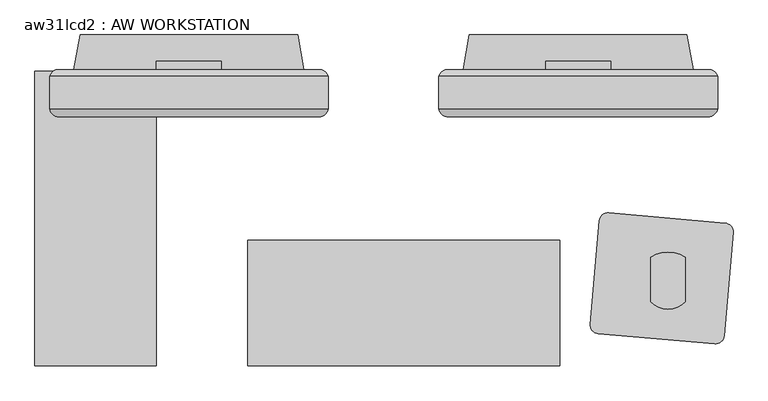
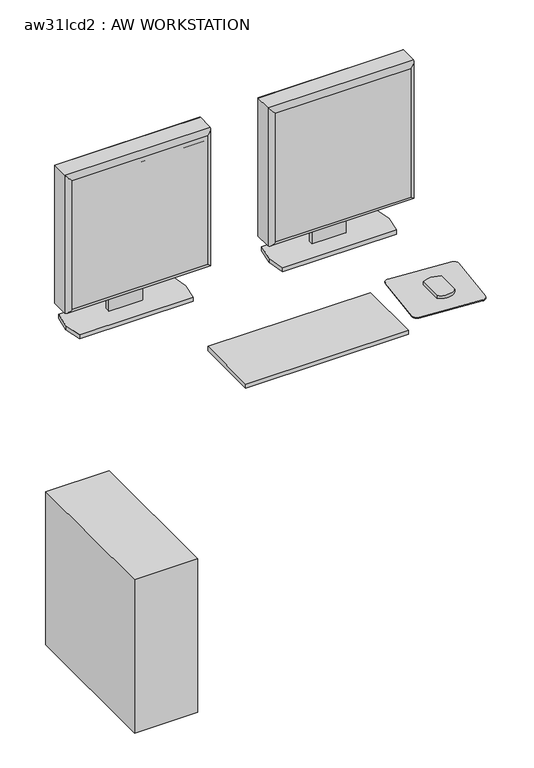
"""IFC4 building model written with IfcOpenShell, lengths in millimetres: proxy geometry, aw31lcd2 : AW WORKSTATION."""

import ifcopenshell
import ifcopenshell.guid

model = None  # the IFC model being written
_history = None  # IfcOwnerHistory: only IFC2X3 demands one
_inside = {}  # id of a spatial element -> (the spatial element, [elements in it])
_under = {}  # id of a project, library or spatial element -> (it, [spatial elements below it])
_declared = {}  # id of a project -> (the project, [libraries it declares])
_typed = {}  # id of a type object -> (the type object, [elements of that type])
_made_of = {}  # id of a material, layer set ... -> (it, [elements and type objects made of it])


def new_model(schema):
    """Start an empty IFC model of exactly this schema.

    Asked for "IFC4X3", IfcOpenShell would pick the latest addendum, in which some entities
    have other attributes; the version numbers below select the first issue.
    IFC2X3 requires an IfcOwnerHistory on every rooted entity: one is made here for all.
    """
    global model, _history
    if schema == "IFC4X3":
        model = ifcopenshell.file(schema_version=(4, 3, 0, 0))
    else:
        model = ifcopenshell.file(schema=schema)
    _inside.clear()
    _under.clear()
    _declared.clear()
    _typed.clear()
    _made_of.clear()
    _history = None
    if model.schema == "IFC2X3":
        org = make("IfcOrganization", Name="unknown")
        user = make(
            "IfcPersonAndOrganization",
            ThePerson=make("IfcPerson", FamilyName="unknown"),
            TheOrganization=org,
        )
        app = make(
            "IfcApplication",
            ApplicationDeveloper=org,
            Version="unknown",
            ApplicationFullName="unknown",
            ApplicationIdentifier="unknown",
        )
        _history = make(
            "IfcOwnerHistory",
            OwningUser=user,
            OwningApplication=app,
            ChangeAction="ADDED",
            CreationDate=0,
        )
    return model


def make(cls, **values):
    """One entity of the class cls with the attributes given. An attribute that is None is left unset."""
    return model.create_entity(
        cls, **{name: value for name, value in values.items() if value is not None}
    )


def rooted(cls, **values):
    """An entity with a GlobalId (a new one), such as an element, a storey or a relation."""
    return make(cls, GlobalId=ifcopenshell.guid.new(), OwnerHistory=_history, **values)


def si_unit(unit_type, name, prefix=None):
    """IfcSIUnit, for example si_unit("LENGTHUNIT", "METRE", prefix="MILLI")."""
    return make("IfcSIUnit", UnitType=unit_type, Prefix=prefix, Name=name)


def assignment(units):
    """IfcUnitAssignment: the units of a project."""
    return None if units is None else make("IfcUnitAssignment", Units=units)


def point(xyz):
    """IfcCartesianPoint."""
    return None if xyz is None else make("IfcCartesianPoint", Coordinates=xyz)


def direction(xyz):
    """IfcDirection."""
    return None if xyz is None else make("IfcDirection", DirectionRatios=xyz)


def frame(location, z_axis=None, x_axis=None):
    """IfcAxis2Placement3D, a coordinate frame: its origin and axes. An axis left out is left unset."""
    return make(
        "IfcAxis2Placement3D",
        Location=point(location),
        Axis=direction(z_axis),
        RefDirection=direction(x_axis),
    )


def frame_2d(location, x_axis=None):
    """IfcAxis2Placement2D, a coordinate frame in the plane: its origin and x axis."""
    return make(
        "IfcAxis2Placement2D", Location=point(location), RefDirection=direction(x_axis)
    )


def origin():
    """The frame at (0, 0, 0) with its axes left unset."""
    return frame((0.0, 0.0, 0.0))


def origin_with_axes():
    """The frame at (0, 0, 0) with the z axis (0, 0, 1) and the x axis (1, 0, 0) written out."""
    return frame((0.0, 0.0, 0.0), z_axis=(0.0, 0.0, 1.0), x_axis=(1.0, 0.0, 0.0))


def place(relative_to, where):
    """IfcLocalPlacement: puts the frame where relative to a parent placement (None: the world)."""
    return make(
        "IfcLocalPlacement", PlacementRelTo=relative_to, RelativePlacement=where
    )


def context(
    kind, dimensions, precision=None, world=None, true_north=None, identifier=None
):
    """IfcGeometricRepresentationContext, for example the 3D "Model" context."""
    return make(
        "IfcGeometricRepresentationContext",
        ContextIdentifier=identifier,
        ContextType=kind,
        CoordinateSpaceDimension=dimensions,
        Precision=precision,
        WorldCoordinateSystem=world,
        TrueNorth=true_north,
    )


def project(units=None, contexts=None):
    """IfcProject with its units and contexts."""
    return rooted(
        "IfcProject",
        Name="project",
        RepresentationContexts=contexts,
        UnitsInContext=assignment(units),
    )


def spatial(cls, under=None, at=None, **own):
    """A site, building, storey or space (cls), placed at a placement, below another one or the project."""
    s = rooted(cls, ObjectPlacement=at, **own)
    if under is not None:
        _under.setdefault(under.id(), (under, []))[1].append(s)
    return s


def polyline(points):
    """IfcPolyline through the points."""
    return make("IfcPolyline", Points=[point(p) for p in points])


def circle_curve(where, radius):
    """IfcCircle in the frame where."""
    return make("IfcCircle", Position=where, Radius=radius)


def ellipse_curve(where, semi_axis1, semi_axis2):
    """IfcEllipse in the frame where."""
    return make(
        "IfcEllipse", Position=where, SemiAxis1=semi_axis1, SemiAxis2=semi_axis2
    )


def trimmed(basis, trim1, trim2, sense, master):
    """IfcTrimmedCurve: the piece of a basis curve between two trims."""
    return make(
        "IfcTrimmedCurve",
        BasisCurve=basis,
        Trim1=trim1,
        Trim2=trim2,
        SenseAgreement=sense,
        MasterRepresentation=master,
    )


def segment(curve, same_sense, transition):
    """IfcCompositeCurveSegment."""
    return make(
        "IfcCompositeCurveSegment",
        Transition=transition,
        SameSense=same_sense,
        ParentCurve=curve,
    )


def composite_curve(segments, self_intersect=None):
    """IfcCompositeCurve: segments joined end to end."""
    return make("IfcCompositeCurve", Segments=segments, SelfIntersect=self_intersect)


def outline(outer, holes=None, kind="AREA"):
    """IfcArbitraryClosedProfileDef: a profile drawn as a closed curve; with holes, ...WithVoids."""
    if holes is None:
        return make("IfcArbitraryClosedProfileDef", ProfileType=kind, OuterCurve=outer)
    return make(
        "IfcArbitraryProfileDefWithVoids",
        ProfileType=kind,
        OuterCurve=outer,
        InnerCurves=holes,
    )


def extrude(swept, where, along, depth):
    """IfcExtrudedAreaSolid: the profile swept, set in the frame where, extruded along a direction by depth."""
    return make(
        "IfcExtrudedAreaSolid",
        SweptArea=swept,
        Position=where,
        ExtrudedDirection=direction(along),
        Depth=depth,
    )


def shape(context_of_items, identifier, shape_type, items):
    """IfcShapeRepresentation: the items that make up one representation, for example the "Body"."""
    return make(
        "IfcShapeRepresentation",
        ContextOfItems=context_of_items,
        RepresentationIdentifier=identifier,
        RepresentationType=shape_type,
        Items=items,
    )


def source(mapping_origin, context_of_items, identifier, shape_type, items):
    """IfcRepresentationMap: a shape defined once, which mapped items show again and again."""
    return make(
        "IfcRepresentationMap",
        MappingOrigin=mapping_origin,
        MappedRepresentation=shape(context_of_items, identifier, shape_type, items),
    )


def transform(
    local_origin,
    x_axis=None,
    y_axis=None,
    z_axis=None,
    scale=None,
    scale2=None,
    scale3=None,
    uniform=True,
):
    """IfcCartesianTransformationOperator3D, or its non-uniform kind. x_axis, y_axis, z_axis: its Axis1, 2, 3."""
    if uniform:
        return make(
            "IfcCartesianTransformationOperator3D",
            Axis1=direction(x_axis),
            Axis2=direction(y_axis),
            LocalOrigin=point(local_origin),
            Scale=scale,
            Axis3=direction(z_axis),
        )
    return make(
        "IfcCartesianTransformationOperator3DnonUniform",
        Axis1=direction(x_axis),
        Axis2=direction(y_axis),
        LocalOrigin=point(local_origin),
        Scale=scale,
        Axis3=direction(z_axis),
        Scale2=scale2,
        Scale3=scale3,
    )


def mapped(mapping_source, mapping_target):
    """IfcMappedItem: shows the shape of a source again, moved by a transform."""
    return make(
        "IfcMappedItem", MappingSource=mapping_source, MappingTarget=mapping_target
    )


def made_of(thing, what):
    """Note that an element or type object is made of a material, layer set ...; save() writes the relation."""
    if what is not None:
        _made_of.setdefault(what.id(), (what, []))[1].append(thing)
    return thing


def element(
    cls,
    number,
    at=None,
    inside=None,
    cuts=None,
    type_object=None,
    material=None,
    context=None,
    identifier="Body",
    shape_type=None,
    held_by="IfcProductDefinitionShape",
    body=None,
    shapes=None,
    **own,
):
    """One element of the class cls, such as IfcWall. Its Tag is "e" and its number.

    at: its placement. inside: the storey or other place that contains it. cuts: it is an
    opening in that element (IfcRelVoidsElement). A single representation is given by context,
    identifier, shape_type and body (its items); several are given by shapes. held_by: the class
    of the entity that holds the representations. save() writes the other relations.
    """
    e = rooted(cls, Tag="e%d" % number, ObjectPlacement=at, **own)
    if body is not None:
        shapes = [shape(context, identifier, shape_type, body)]
    if shapes is not None:
        e.Representation = make(held_by, Representations=shapes)
    if inside is not None:
        _inside.setdefault(inside.id(), (inside, []))[1].append(e)
    if cuts is not None:
        rooted(
            "IfcRelVoidsElement", RelatingBuildingElement=cuts, RelatedOpeningElement=e
        )
    if type_object is not None:
        _typed.setdefault(type_object.id(), (type_object, []))[1].append(e)
    return made_of(e, material)


def aggregate(whole, parts):
    """IfcRelAggregates: a whole, such as a stair, and the parts it consists of."""
    return rooted("IfcRelAggregates", RelatingObject=whole, RelatedObjects=parts)


def save(model, path):
    """Write the relations noted so far, then the file.

    IfcRelAggregates (storeys below a building ...), IfcRelContainedInSpatialStructure (elements
    in a storey), IfcRelDefinesByType, IfcRelAssociatesMaterial and IfcRelDeclares: one each for
    every whole, place, type object, material and project.
    """
    for whole, parts in _under.values():
        aggregate(whole, parts)
    for where, things in _inside.values():
        rooted(
            "IfcRelContainedInSpatialStructure",
            RelatedElements=things,
            RelatingStructure=where,
        )
    for kind, things in _typed.values():
        rooted("IfcRelDefinesByType", RelatedObjects=things, RelatingType=kind)
    for what, things in _made_of.values():
        rooted("IfcRelAssociatesMaterial", RelatedObjects=things, RelatingMaterial=what)
    for by, libraries in _declared.values():
        rooted("IfcRelDeclares", RelatingContext=by, RelatedDefinitions=libraries)
    model.write(path)


def plane_surface(at):
    """IfcPlane: the flat surface through the origin of the frame at, square to its z axis."""
    return make("IfcPlane", Position=at)


def cylinder_surface(at, radius):
    """IfcCylindricalSurface: all points at the distance radius from the z axis of the frame at."""
    return make("IfcCylindricalSurface", Position=at, Radius=radius)


def advanced_brep(points, edges, surfaces, faces):
    """IfcAdvancedBrep: a solid bounded by faces that lie on surfaces and meet in shared edges.

    An edge is (start, end): straight between two places in points (the first is 0);
    or (start, end, curve); or (start, end, curve, False) where it runs against its curve.
    A face is (place in surfaces, loops), or (place, loops, False) where it looks against
    its surface's normal. A loop lists edges by number (the first is 1), with a minus sign
    where the edge is run from its end to its start. The first loop is the outer one.
    """
    corners = [point(p) for p in points]
    vertices = [make("IfcVertexPoint", VertexGeometry=c) for c in corners]
    made = []
    for start, end, *more in edges:
        made.append(
            make(
                "IfcEdgeCurve",
                EdgeStart=vertices[start],
                EdgeEnd=vertices[end],
                EdgeGeometry=more[0] if more else make("IfcPolyline", Points=[corners[start], corners[end]]),
                SameSense=more[1] if len(more) > 1 else True,
            )
        )
    hull = []
    for where, loops, *sense in faces:
        bounds = []
        for j, loop in enumerate(loops):
            ring = [make("IfcOrientedEdge", EdgeElement=made[abs(k) - 1], Orientation=k > 0) for k in loop]
            bounds.append(
                make(
                    "IfcFaceOuterBound" if j == 0 else "IfcFaceBound",
                    Bound=make("IfcEdgeLoop", EdgeList=ring),
                    Orientation=True,
                )
            )
        hull.append(make("IfcAdvancedFace", Bounds=bounds, FaceSurface=surfaces[where], SameSense=sense[0] if sense else True))
    return make("IfcAdvancedBrep", Outer=make("IfcClosedShell", CfsFaces=hull))


def aw31lcd2_aw_workstation_e42d91b1(model_context):
    return source(origin(), model_context, "Body", "SolidModel", [
        advanced_brep(
        [(124.656648, -60.291636, 1419.86), (124.656648, -103.4223166, 1419.86), (124.656648, -108.4193594, 1419.86), (533.596648, -108.4193594, 1419.86), (533.596648, -103.4223166, 1419.86), (533.596648, -60.291636, 1419.86), (533.596648, -60.291636, 1010.2963264), (533.596648, -103.4223166, 1010.2963264), (533.596648, -108.4193594, 1010.2963264), (124.656648, -108.4193594, 1010.2963264), (124.656648, -103.4223166, 1010.2963264), (124.656648, -60.291636, 1010.2963264), (133.894284, -51.054, 1019.5339624), (133.894284, -51.054, 1410.622364), (524.359012, -51.054, 1410.622364), (524.359012, -51.054, 1019.5339624), (138.8208086, -120.3036769, 1405.694569), (138.8208086, -120.3036769, 1024.4617574), (519.431217, -120.3036769, 1024.460487), (519.4324874, -120.3036769, 1405.694569)],
        [
            (0, 1),
            (1, 2),
            (2, 3),
            (3, 4),
            (4, 5),
            (5, 0),
            (6, 7),
            (7, 8),
            (8, 9),
            (9, 10),
            (10, 11),
            (11, 6),
            (12, 13),
            (13, 14),
            (14, 15),
            (15, 12),
            (0, 11),
            (9, 2),
            (16, 17),
            (17, 18),
            (18, 19),
            (19, 16),
            (3, 8),
            (6, 5),
            (12, 11, ellipse_curve(frame((140.7713363, -67.1686883, 1026.4110147), z_axis=(-0.7071067811865452, 0.0, 0.7071067811865498), x_axis=(-0.7071067811865498, 0.0, -0.7071067811865452)), 24.7780962, 17.5207599)),
            (0, 13, ellipse_curve(frame((140.7713363, -67.1686883, 1403.7453117), z_axis=(-0.7071067811865498, 0.0, -0.7071067811865452), x_axis=(0.7071067811865452, 0.0, -0.7071067811865498)), 24.7780962, 17.5207599)),
            (16, 2, ellipse_curve(frame((138.8208086, -105.920838, 1405.6958394), z_axis=(-0.7071067811865498, 0.0, -0.7071067811865452), x_axis=(0.7071067811865452, 0.0, -0.7071067811865498)), 20.3404059, 14.3828389)),
            (9, 17, ellipse_curve(frame((138.8208086, -105.920838, 1024.460487), z_axis=(-0.7071067811865452, 0.0, 0.7071067811865498), x_axis=(-0.7071067811865498, 0.0, -0.7071067811865452)), 20.3404059, 14.3828389)),
            (15, 6, ellipse_curve(frame((517.4819597, -67.1686883, 1026.4110147), z_axis=(-0.7071067811865498, 0.0, -0.7071067811865452), x_axis=(0.7071067811865452, 0.0, -0.7071067811865497)), 24.7780962, 17.5207599)),
            (8, 18, ellipse_curve(frame((519.4324874, -105.920838, 1024.460487), z_axis=(-0.7071067811865498, 0.0, -0.7071067811865452), x_axis=(0.7071067811865452, 0.0, -0.7071067811865497)), 20.3404059, 14.3828389)),
            (14, 5, ellipse_curve(frame((517.4819597, -67.1686883, 1403.7453117), z_axis=(0.7071067811865452, 0.0, -0.7071067811865498), x_axis=(0.7071067811865498, 0.0, 0.7071067811865452)), 24.7780962, 17.5207599)),
            (3, 19, ellipse_curve(frame((519.4324874, -105.920838, 1405.6958394), z_axis=(0.7071067811865452, 0.0, -0.7071067811865498), x_axis=(0.7071067811865498, 0.0, 0.7071067811865452)), 20.3404059, 14.3828389)),
        ],
        [
            plane_surface(frame((129.736648, -51.054, 1419.86), z_axis=(0.0, 0.0, 1.0), x_axis=(-1.0, 0.0, 0.0))),
            plane_surface(frame((129.736648, -51.054, 1010.2963264), z_axis=(0.0, 0.0, -1.0), x_axis=(1.0, 0.0, 0.0))),
            plane_surface(frame((533.596648, -51.054, 1419.86), z_axis=(0.0, 1.0, 0.0), x_axis=(0.0, 0.0, -1.0))),
            plane_surface(frame((124.656648, -51.054, 1419.86), z_axis=(-1.0, 0.0, 0.0), x_axis=(0.0, 0.0, -1.0))),
            plane_surface(frame((124.656648, -120.3036769, 1419.86), z_axis=(0.0, -1.0, 0.0), x_axis=(0.0, 0.0, -1.0))),
            plane_surface(frame((533.596648, -120.3036769, 1419.86), z_axis=(1.0, 0.0, 0.0), x_axis=(0.0, 0.0, -1.0))),
            cylinder_surface(frame((140.7713363, -67.1686883, 1419.86), z_axis=(0.0, 0.0, -1.0), x_axis=(0.0, 1.0, 0.0)), 17.5207599),
            cylinder_surface(frame((138.8208086, -105.920838, 1419.86), z_axis=(0.0, 0.0, -1.0), x_axis=(0.0, 1.0, 0.0)), 14.3828389),
            cylinder_surface(frame((124.656648, -67.1686883, 1026.4110147), z_axis=(1.0, 0.0, 0.0), x_axis=(0.0, 1.0, 0.0)), 17.5207599),
            cylinder_surface(frame((124.656648, -105.920838, 1024.460487), z_axis=(1.0, 0.0, 0.0), x_axis=(0.0, 1.0, 0.0)), 14.3828389),
            cylinder_surface(frame((517.4819597, -67.1686883, 1010.2963264), z_axis=(0.0, 0.0, 1.0), x_axis=(0.0, 1.0, 0.0)), 17.5207599),
            cylinder_surface(frame((519.4324874, -105.920838, 1010.2963264), z_axis=(0.0, 0.0, 1.0), x_axis=(0.0, 1.0, 0.0)), 14.3828389),
            cylinder_surface(frame((533.596648, -67.1686883, 1403.7453117), z_axis=(-1.0, 0.0, 0.0), x_axis=(0.0, 1.0, 0.0)), 17.5207599),
            cylinder_surface(frame((533.596648, -105.920838, 1405.6958394), z_axis=(-1.0, 0.0, 0.0), x_axis=(0.0, 1.0, 0.0)), 14.3828389),
        ],
        [
            (0, [[1, 2, 3, 4, 5, 6]]),
            (1, [[7, 8, 9, 10, 11, 12]]),
            (2, [[13, 14, 15, 16]]),
            (3, [[-1, 17, -11, -10, 18, -2]]),
            (4, [[19, 20, 21, 22]]),
            (5, [[-5, -4, 23, -8, -7, 24]]),
            (6, [[25, -17, 26, -13]]),
            (7, [[27, -18, 28, -19]]),
            (8, [[-25, -16, 29, -12]]),
            (9, [[30, -20, -28, -9]]),
            (10, [[-29, -15, 31, -24]]),
            (11, [[32, -21, -30, -23]]),
            (12, [[-26, -6, -31, -14]]),
            (13, [[-27, -22, -32, -3]]),
        ],
    ),
        extrude(outline(polyline([(150.056648, -114.3898978), (508.196648, -114.3898978), (508.196648, -120.3036769), (150.056648, -120.3036769), (150.056648, -114.3898978)])), frame((0.0, 0.0, 1035.6963264), z_axis=(0.0, 0.0, 1.0), x_axis=(1.0, 0.0, 0.0)), (0.0, 0.0, 1.0), 358.7636736),
        extrude(outline(polyline([(-51.054, 1236.2794056), (-38.3728288, 1236.2794056), (-38.3728288, 926.6153731), (-51.054, 926.6153731), (-51.054, 1006.8339624), (-48.3167676, 1006.8339624), (-48.3167676, 1019.5339624), (-51.054, 1019.5339624), (-51.054, 1236.2794056)])), frame((281.501648, 0.0, 0.0), z_axis=(1.0, 0.0, 0.0), x_axis=(0.0, 1.0, 0.0)), (0.0, 0.0, 1.0), 95.25),
        extrude(outline(polyline([(160.470648, -51.054), (169.614648, 0.0), (488.638648, 0.0), (497.782648, -51.054), (488.638648, -102.108), (169.614648, -102.108), (160.470648, -51.054)])), frame((0.0, 0.0, 914.4), z_axis=(0.0, 0.0, 1.0), x_axis=(1.0, 0.0, 0.0)), (0.0, 0.0, 1.0), 12.2153731),
        advanced_brep(
        [(-446.532, -60.291636, 1419.86), (-446.532, -103.4223166, 1419.86), (-446.532, -108.4193594, 1419.86), (-37.592, -108.4193594, 1419.86), (-37.592, -103.4223166, 1419.86), (-37.592, -60.291636, 1419.86), (-37.592, -60.291636, 1010.2963264), (-37.592, -103.4223166, 1010.2963264), (-37.592, -108.4193594, 1010.2963264), (-446.532, -108.4193594, 1010.2963264), (-446.532, -103.4223166, 1010.2963264), (-446.532, -60.291636, 1010.2963264), (-437.294364, -51.054, 1019.5339624), (-437.294364, -51.054, 1410.622364), (-46.829636, -51.054, 1410.622364), (-46.829636, -51.054, 1019.5339624), (-432.3678394, -120.3036769, 1405.694569), (-432.3678394, -120.3036769, 1024.4617574), (-51.757431, -120.3036769, 1024.460487), (-51.7561606, -120.3036769, 1405.694569)],
        [
            (0, 1),
            (1, 2),
            (2, 3),
            (3, 4),
            (4, 5),
            (5, 0),
            (6, 7),
            (7, 8),
            (8, 9),
            (9, 10),
            (10, 11),
            (11, 6),
            (12, 13),
            (13, 14),
            (14, 15),
            (15, 12),
            (0, 11),
            (9, 2),
            (16, 17),
            (17, 18),
            (18, 19),
            (19, 16),
            (3, 8),
            (6, 5),
            (12, 11, ellipse_curve(frame((-430.4173117, -67.1686883, 1026.4110147), z_axis=(-0.7071067811865452, 0.0, 0.7071067811865498), x_axis=(-0.7071067811865498, 0.0, -0.7071067811865452)), 24.7780962, 17.5207599)),
            (0, 13, ellipse_curve(frame((-430.4173117, -67.1686883, 1403.7453117), z_axis=(-0.7071067811865498, 0.0, -0.7071067811865452), x_axis=(0.7071067811865452, 0.0, -0.7071067811865498)), 24.7780962, 17.5207599)),
            (16, 2, ellipse_curve(frame((-432.3678394, -105.920838, 1405.6958394), z_axis=(-0.7071067811865498, 0.0, -0.7071067811865452), x_axis=(0.7071067811865452, 0.0, -0.7071067811865498)), 20.3404059, 14.3828389)),
            (9, 17, ellipse_curve(frame((-432.3678394, -105.920838, 1024.460487), z_axis=(-0.7071067811865452, 0.0, 0.7071067811865498), x_axis=(-0.7071067811865498, 0.0, -0.7071067811865452)), 20.3404059, 14.3828389)),
            (15, 6, ellipse_curve(frame((-53.7066883, -67.1686883, 1026.4110147), z_axis=(-0.7071067811865498, 0.0, -0.7071067811865452), x_axis=(0.7071067811865452, 0.0, -0.7071067811865497)), 24.7780962, 17.5207599)),
            (8, 18, ellipse_curve(frame((-51.7561606, -105.920838, 1024.460487), z_axis=(-0.7071067811865498, 0.0, -0.7071067811865452), x_axis=(0.7071067811865452, 0.0, -0.7071067811865497)), 20.3404059, 14.3828389)),
            (14, 5, ellipse_curve(frame((-53.7066883, -67.1686883, 1403.7453117), z_axis=(0.7071067811865452, 0.0, -0.7071067811865498), x_axis=(0.7071067811865498, 0.0, 0.7071067811865452)), 24.7780962, 17.5207599)),
            (3, 19, ellipse_curve(frame((-51.7561606, -105.920838, 1405.6958394), z_axis=(0.7071067811865452, 0.0, -0.7071067811865498), x_axis=(0.7071067811865498, 0.0, 0.7071067811865452)), 20.3404059, 14.3828389)),
        ],
        [
            plane_surface(frame((-441.452, -51.054, 1419.86), z_axis=(0.0, 0.0, 1.0), x_axis=(-1.0, 0.0, 0.0))),
            plane_surface(frame((-441.452, -51.054, 1010.2963264), z_axis=(0.0, 0.0, -1.0), x_axis=(1.0, 0.0, 0.0))),
            plane_surface(frame((-37.592, -51.054, 1419.86), z_axis=(0.0, 1.0, 0.0), x_axis=(0.0, 0.0, -1.0))),
            plane_surface(frame((-446.532, -51.054, 1419.86), z_axis=(-1.0, 0.0, 0.0), x_axis=(0.0, 0.0, -1.0))),
            plane_surface(frame((-446.532, -120.3036769, 1419.86), z_axis=(0.0, -1.0, 0.0), x_axis=(0.0, 0.0, -1.0))),
            plane_surface(frame((-37.592, -120.3036769, 1419.86), z_axis=(1.0, 0.0, 0.0), x_axis=(0.0, 0.0, -1.0))),
            cylinder_surface(frame((-430.4173117, -67.1686883, 1419.86), z_axis=(0.0, 0.0, -1.0), x_axis=(0.0, 1.0, 0.0)), 17.5207599),
            cylinder_surface(frame((-432.3678394, -105.920838, 1419.86), z_axis=(0.0, 0.0, -1.0), x_axis=(0.0, 1.0, 0.0)), 14.3828389),
            cylinder_surface(frame((-446.532, -67.1686883, 1026.4110147), z_axis=(1.0, 0.0, 0.0), x_axis=(0.0, 1.0, 0.0)), 17.5207599),
            cylinder_surface(frame((-446.532, -105.920838, 1024.460487), z_axis=(1.0, 0.0, 0.0), x_axis=(0.0, 1.0, 0.0)), 14.3828389),
            cylinder_surface(frame((-53.7066883, -67.1686883, 1010.2963264), z_axis=(0.0, 0.0, 1.0), x_axis=(0.0, 1.0, 0.0)), 17.5207599),
            cylinder_surface(frame((-51.7561606, -105.920838, 1010.2963264), z_axis=(0.0, 0.0, 1.0), x_axis=(0.0, 1.0, 0.0)), 14.3828389),
            cylinder_surface(frame((-37.592, -67.1686883, 1403.7453117), z_axis=(-1.0, 0.0, 0.0), x_axis=(0.0, 1.0, 0.0)), 17.5207599),
            cylinder_surface(frame((-37.592, -105.920838, 1405.6958394), z_axis=(-1.0, 0.0, 0.0), x_axis=(0.0, 1.0, 0.0)), 14.3828389),
        ],
        [
            (0, [[1, 2, 3, 4, 5, 6]]),
            (1, [[7, 8, 9, 10, 11, 12]]),
            (2, [[13, 14, 15, 16]]),
            (3, [[-1, 17, -11, -10, 18, -2]]),
            (4, [[19, 20, 21, 22]]),
            (5, [[-5, -4, 23, -8, -7, 24]]),
            (6, [[25, -17, 26, -13]]),
            (7, [[27, -18, 28, -19]]),
            (8, [[-25, -16, 29, -12]]),
            (9, [[30, -20, -28, -9]]),
            (10, [[-29, -15, 31, -24]]),
            (11, [[32, -21, -30, -23]]),
            (12, [[-26, -6, -31, -14]]),
            (13, [[-27, -22, -32, -3]]),
        ],
    ),
        extrude(outline(polyline([(-421.132, -114.3898978), (-62.992, -114.3898978), (-62.992, -120.3036769), (-421.132, -120.3036769), (-421.132, -114.3898978)])), frame((0.0, 0.0, 1035.6963264), z_axis=(0.0, 0.0, 1.0), x_axis=(1.0, 0.0, 0.0)), (0.0, 0.0, 1.0), 358.7636736),
        extrude(outline(polyline([(-51.054, 1236.2794056), (-38.3728288, 1236.2794056), (-38.3728288, 926.6153731), (-51.054, 926.6153731), (-51.054, 1006.8339624), (-48.3167676, 1006.8339624), (-48.3167676, 1019.5339624), (-51.054, 1019.5339624), (-51.054, 1236.2794056)])), frame((-289.687, 0.0, 0.0), z_axis=(1.0, 0.0, 0.0), x_axis=(0.0, 1.0, 0.0)), (0.0, 0.0, 1.0), 95.25),
        extrude(outline(polyline([(-467.9443316, -485.2006768), (-467.9443316, -53.4006768), (-290.1443316, -53.4006768), (-290.1443316, -485.2006768), (-467.9443316, -485.2006768)])), origin_with_axes(), (0.0, 0.0, 1.0), 454.66),
        extrude(outline(composite_curve([segment(trimmed(circle_curve(frame_2d((372.8834645, -273.7284831)), 12.7), [point((360.2317919, -272.6216051))], [point((373.9903425, -261.0768104))], False, "CARTESIAN"), True, "CONTINUOUS"), segment(polyline([(373.9903425, -261.0768104), (544.7879235, -276.0196625)]), True, "CONTINUOUS"), segment(trimmed(circle_curve(frame_2d((543.6810455, -288.6713351)), 12.7), [point((544.7879235, -276.0196625))], [point((556.3327182, -289.7782131))], False, "CARTESIAN"), True, "CONTINUOUS"), segment(polyline([(556.3327182, -289.7782131), (543.050183, -441.5982851)]), True, "CONTINUOUS"), segment(trimmed(circle_curve(frame_2d((530.3985103, -440.4914071)), 12.7), [point((543.050183, -441.5982851))], [point((529.2916324, -453.1430798))], False, "CARTESIAN"), True, "CONTINUOUS"), segment(polyline([(529.2916324, -453.1430798), (358.4940514, -438.2002277)]), True, "CONTINUOUS"), segment(trimmed(circle_curve(frame_2d((359.6009293, -425.548555)), 12.7), [point((358.4940514, -438.2002277))], [point((346.9492567, -424.4416771))], False, "CARTESIAN"), True, "CONTINUOUS"), segment(polyline([(346.9492567, -424.4416771), (360.2317919, -272.6216051)]), True, "CONTINUOUS")], self_intersect=False)), frame((0.0, 0.0, 914.4), z_axis=(0.0, 0.0, 1.0), x_axis=(1.0, 0.0, 0.0)), (0.0, 0.0, 1.0), 2.9133962),
        extrude(outline(composite_curve([segment(trimmed(circle_curve(frame_2d((460.8261489, -366.585111)), 35.5491443), [point((486.2261489, -391.4564129))], [point((435.4261489, -391.4564129))], False, "CARTESIAN"), True, "CONTINUOUS"), segment(polyline([(435.4261489, -391.4564129), (435.4261489, -326.1610662)]), True, "CONTINUOUS"), segment(trimmed(circle_curve(frame_2d((460.8261489, -364.3384793)), 45.8549329), [point((435.4261489, -326.1610662))], [point((486.2261489, -326.1610662))], False, "CARTESIAN"), True, "CONTINUOUS"), segment(polyline([(486.2261489, -326.1610662), (486.2261489, -391.4564129)]), True, "CONTINUOUS")], self_intersect=False)), frame((0.0, 0.0, 917.3133962), z_axis=(0.0, 0.0, 1.0), x_axis=(1.0, 0.0, 0.0)), (0.0, 0.0, 1.0), 9.3019768),
        extrude(outline(polyline([(-410.718, -51.054), (-401.574, 0.0), (-82.55, 0.0), (-73.406, -51.054), (-82.55, -102.108), (-401.574, -102.108), (-410.718, -51.054)])), frame((0.0, 0.0, 914.4), z_axis=(0.0, 0.0, 1.0), x_axis=(1.0, 0.0, 0.0)), (0.0, 0.0, 1.0), 12.2153731),
        extrude(outline(polyline([(301.7364375, -301.0506768), (301.7364375, -485.2006768), (-155.4635625, -485.2006768), (-155.4635625, -301.0506768), (301.7364375, -301.0506768)])), frame((0.0, 0.0, 914.4), z_axis=(0.0, 0.0, 1.0), x_axis=(1.0, 0.0, 0.0)), (0.0, 0.0, 1.0), 12.2153731),
    ])


if __name__ == "__main__":
    model = new_model("IFC4")
    model_context = context("Model", 3, world=origin())
    ifc_project = project(units=[si_unit("LENGTHUNIT", "METRE", prefix="MILLI")], contexts=[model_context])
    site = spatial("IfcSite", under=ifc_project)
    building = spatial("IfcBuilding", under=site)
    placement = place(None, origin())
    aw31lcd2_aw_workstation_shape = aw31lcd2_aw_workstation_e42d91b1(model_context)
    element("IfcBuildingElementProxy", 1, Name="aw31lcd2 : AW WORKSTATION", ObjectType="aw31lcd2 : AW WORKSTATION", at=placement, inside=building, context=model_context, shape_type="MappedRepresentation", body=[
        mapped(aw31lcd2_aw_workstation_shape, transform((0.0, 0.0, 0.0), x_axis=(1.0, 0.0, 0.0), y_axis=(0.0, 1.0, 0.0), z_axis=(0.0, 0.0, 1.0))),
    ])
    save(model, "model.ifc")
